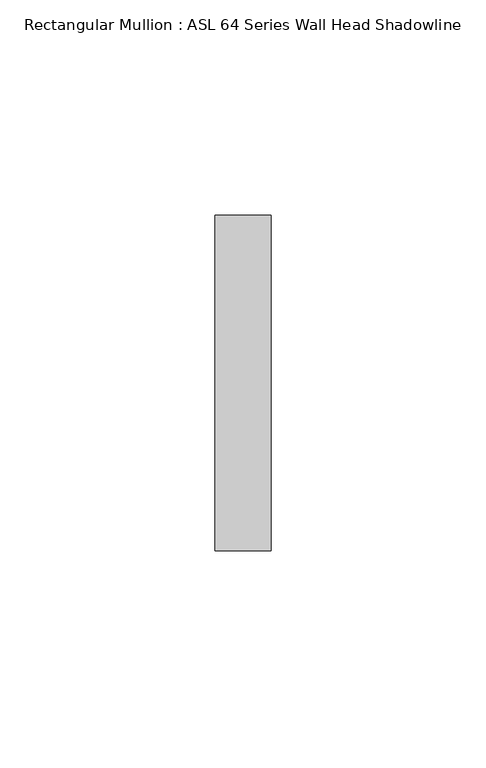
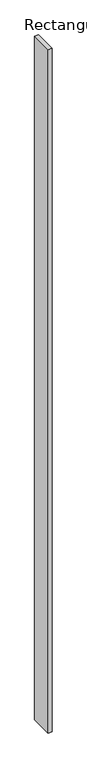
"""IFC4 building model written with IfcOpenShell, lengths in millimetres: member geometry, Rectangular Mullion : ASL 64 Series Wall Head Shadowline."""

from ifc_helpers import new_model, si_unit, frame, origin, place, context, project, spatial, polyline, outline, extrude, source, transform, mapped, element, save


def rectangular_mullion_asl_64_series_wall_head_shadowline_a745b573(model_context):
    return source(origin(), model_context, "Body", "SweptSolid", [
        extrude(outline(polyline([(0.0, 39.0), (0.0, -39.0), (-13.0, -39.0), (-13.0, 39.0), (0.0, 39.0)])), frame((0.0, 0.0, -2400.0), z_axis=(0.0, 0.0, 1.0), x_axis=(1.0, 0.0, 0.0)), (0.0, 0.0, 1.0), 2400.0),
    ])


if __name__ == "__main__":
    model = new_model("IFC4")
    model_context = context("Model", 3, world=origin())
    ifc_project = project(units=[si_unit("LENGTHUNIT", "METRE", prefix="MILLI")], contexts=[model_context])
    site = spatial("IfcSite", under=ifc_project)
    building = spatial("IfcBuilding", under=site)
    placement = place(None, origin())
    rectangular_mullion_asl_64_series_wall_head_shadowline_shape = rectangular_mullion_asl_64_series_wall_head_shadowline_a745b573(model_context)
    element("IfcMember", 1, ObjectType="Rectangular Mullion : ASL 64 Series Wall Head Shadowline", at=placement, inside=building, context=model_context, shape_type="MappedRepresentation", body=[
        mapped(rectangular_mullion_asl_64_series_wall_head_shadowline_shape, transform((0.0, 0.0, 0.0), x_axis=(1.0, 0.0, 0.0), y_axis=(0.0, 1.0, 0.0), z_axis=(0.0, 0.0, 1.0))),
    ])
    save(model, "model.ifc")
